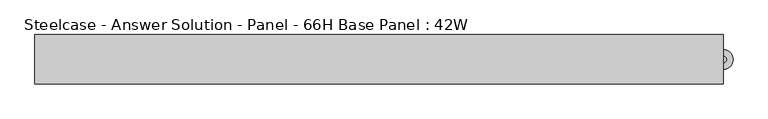
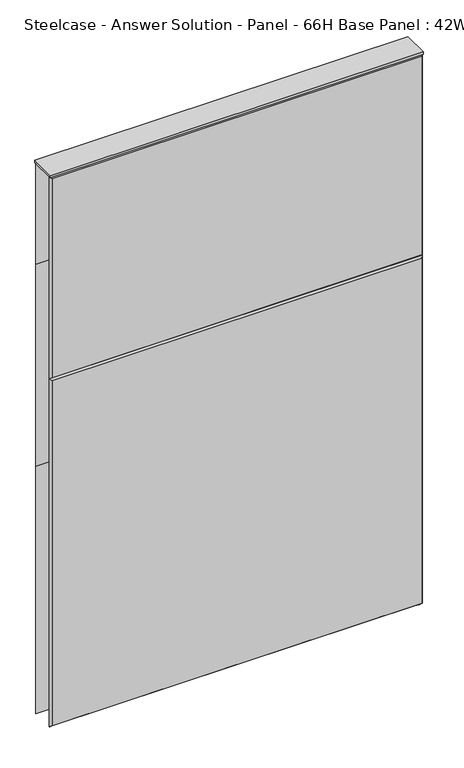
"""IFC4 building model written with IfcOpenShell, lengths in millimetres: furniture geometry, Steelcase - Answer Solution - Panel - 66H Base Panel : 42W."""

import ifcopenshell
import ifcopenshell.guid

model = None  # the IFC model being written
_history = None  # IfcOwnerHistory: only IFC2X3 demands one
_inside = {}  # id of a spatial element -> (the spatial element, [elements in it])
_under = {}  # id of a project, library or spatial element -> (it, [spatial elements below it])
_declared = {}  # id of a project -> (the project, [libraries it declares])
_typed = {}  # id of a type object -> (the type object, [elements of that type])
_made_of = {}  # id of a material, layer set ... -> (it, [elements and type objects made of it])


def new_model(schema):
    """Start an empty IFC model of exactly this schema.

    Asked for "IFC4X3", IfcOpenShell would pick the latest addendum, in which some entities
    have other attributes; the version numbers below select the first issue.
    IFC2X3 requires an IfcOwnerHistory on every rooted entity: one is made here for all.
    """
    global model, _history
    if schema == "IFC4X3":
        model = ifcopenshell.file(schema_version=(4, 3, 0, 0))
    else:
        model = ifcopenshell.file(schema=schema)
    _inside.clear()
    _under.clear()
    _declared.clear()
    _typed.clear()
    _made_of.clear()
    _history = None
    if model.schema == "IFC2X3":
        org = make("IfcOrganization", Name="unknown")
        user = make(
            "IfcPersonAndOrganization",
            ThePerson=make("IfcPerson", FamilyName="unknown"),
            TheOrganization=org,
        )
        app = make(
            "IfcApplication",
            ApplicationDeveloper=org,
            Version="unknown",
            ApplicationFullName="unknown",
            ApplicationIdentifier="unknown",
        )
        _history = make(
            "IfcOwnerHistory",
            OwningUser=user,
            OwningApplication=app,
            ChangeAction="ADDED",
            CreationDate=0,
        )
    return model


def make(cls, **values):
    """One entity of the class cls with the attributes given. An attribute that is None is left unset."""
    return model.create_entity(
        cls, **{name: value for name, value in values.items() if value is not None}
    )


def rooted(cls, **values):
    """An entity with a GlobalId (a new one), such as an element, a storey or a relation."""
    return make(cls, GlobalId=ifcopenshell.guid.new(), OwnerHistory=_history, **values)


def si_unit(unit_type, name, prefix=None):
    """IfcSIUnit, for example si_unit("LENGTHUNIT", "METRE", prefix="MILLI")."""
    return make("IfcSIUnit", UnitType=unit_type, Prefix=prefix, Name=name)


def assignment(units):
    """IfcUnitAssignment: the units of a project."""
    return None if units is None else make("IfcUnitAssignment", Units=units)


def point(xyz):
    """IfcCartesianPoint."""
    return None if xyz is None else make("IfcCartesianPoint", Coordinates=xyz)


def direction(xyz):
    """IfcDirection."""
    return None if xyz is None else make("IfcDirection", DirectionRatios=xyz)


def frame(location, z_axis=None, x_axis=None):
    """IfcAxis2Placement3D, a coordinate frame: its origin and axes. An axis left out is left unset."""
    return make(
        "IfcAxis2Placement3D",
        Location=point(location),
        Axis=direction(z_axis),
        RefDirection=direction(x_axis),
    )


def frame_2d(location, x_axis=None):
    """IfcAxis2Placement2D, a coordinate frame in the plane: its origin and x axis."""
    return make(
        "IfcAxis2Placement2D", Location=point(location), RefDirection=direction(x_axis)
    )


def origin():
    """The frame at (0, 0, 0) with its axes left unset."""
    return frame((0.0, 0.0, 0.0))


def place(relative_to, where):
    """IfcLocalPlacement: puts the frame where relative to a parent placement (None: the world)."""
    return make(
        "IfcLocalPlacement", PlacementRelTo=relative_to, RelativePlacement=where
    )


def context(
    kind, dimensions, precision=None, world=None, true_north=None, identifier=None
):
    """IfcGeometricRepresentationContext, for example the 3D "Model" context."""
    return make(
        "IfcGeometricRepresentationContext",
        ContextIdentifier=identifier,
        ContextType=kind,
        CoordinateSpaceDimension=dimensions,
        Precision=precision,
        WorldCoordinateSystem=world,
        TrueNorth=true_north,
    )


def project(units=None, contexts=None):
    """IfcProject with its units and contexts."""
    return rooted(
        "IfcProject",
        Name="project",
        RepresentationContexts=contexts,
        UnitsInContext=assignment(units),
    )


def spatial(cls, under=None, at=None, **own):
    """A site, building, storey or space (cls), placed at a placement, below another one or the project."""
    s = rooted(cls, ObjectPlacement=at, **own)
    if under is not None:
        _under.setdefault(under.id(), (under, []))[1].append(s)
    return s


def polyline(points):
    """IfcPolyline through the points."""
    return make("IfcPolyline", Points=[point(p) for p in points])


def circle_curve(where, radius):
    """IfcCircle in the frame where."""
    return make("IfcCircle", Position=where, Radius=radius)


def trimmed(basis, trim1, trim2, sense, master):
    """IfcTrimmedCurve: the piece of a basis curve between two trims."""
    return make(
        "IfcTrimmedCurve",
        BasisCurve=basis,
        Trim1=trim1,
        Trim2=trim2,
        SenseAgreement=sense,
        MasterRepresentation=master,
    )


def segment(curve, same_sense, transition):
    """IfcCompositeCurveSegment."""
    return make(
        "IfcCompositeCurveSegment",
        Transition=transition,
        SameSense=same_sense,
        ParentCurve=curve,
    )


def composite_curve(segments, self_intersect=None):
    """IfcCompositeCurve: segments joined end to end."""
    return make("IfcCompositeCurve", Segments=segments, SelfIntersect=self_intersect)


def outline(outer, holes=None, kind="AREA"):
    """IfcArbitraryClosedProfileDef: a profile drawn as a closed curve; with holes, ...WithVoids."""
    if holes is None:
        return make("IfcArbitraryClosedProfileDef", ProfileType=kind, OuterCurve=outer)
    return make(
        "IfcArbitraryProfileDefWithVoids",
        ProfileType=kind,
        OuterCurve=outer,
        InnerCurves=holes,
    )


def extrude(swept, where, along, depth):
    """IfcExtrudedAreaSolid: the profile swept, set in the frame where, extruded along a direction by depth."""
    return make(
        "IfcExtrudedAreaSolid",
        SweptArea=swept,
        Position=where,
        ExtrudedDirection=direction(along),
        Depth=depth,
    )


def faces_of(points, faces, orient=None, outer=None):
    """IfcFace entities. A face is a list of loops; a loop is a list of indices into points, from 0.

    orient and outer hold one flag for each loop. By default every Orientation is true, the
    first loop of a face is its IfcFaceOuterBound and the others are IfcFaceBound.
    """
    made = []
    for i, loops in enumerate(faces):
        bounds = []
        for j, loop in enumerate(loops):
            is_outer = j == 0 if outer is None else outer[i][j]
            bounds.append(
                make(
                    "IfcFaceOuterBound" if is_outer else "IfcFaceBound",
                    Bound=make("IfcPolyLoop", Polygon=[points[k] for k in loop]),
                    Orientation=True if orient is None else orient[i][j],
                )
            )
        made.append(make("IfcFace", Bounds=bounds))
    return made


def faceted_brep(points, faces, orient=None, outer=None, voids=None):
    """IfcFacetedBrep: a solid bounded by flat faces; with voids (closed shells), ...WithVoids."""
    shared = [point(p) for p in points]
    hull = make("IfcClosedShell", CfsFaces=faces_of(shared, faces, orient, outer))
    if voids is None:
        return make("IfcFacetedBrep", Outer=hull)
    return make(
        "IfcFacetedBrepWithVoids",
        Outer=hull,
        Voids=[
            make(cls, CfsFaces=faces_of(shared, fs, o, b)) for cls, fs, o, b in voids
        ],
    )


def shape(context_of_items, identifier, shape_type, items):
    """IfcShapeRepresentation: the items that make up one representation, for example the "Body"."""
    return make(
        "IfcShapeRepresentation",
        ContextOfItems=context_of_items,
        RepresentationIdentifier=identifier,
        RepresentationType=shape_type,
        Items=items,
    )


def source(mapping_origin, context_of_items, identifier, shape_type, items):
    """IfcRepresentationMap: a shape defined once, which mapped items show again and again."""
    return make(
        "IfcRepresentationMap",
        MappingOrigin=mapping_origin,
        MappedRepresentation=shape(context_of_items, identifier, shape_type, items),
    )


def transform(
    local_origin,
    x_axis=None,
    y_axis=None,
    z_axis=None,
    scale=None,
    scale2=None,
    scale3=None,
    uniform=True,
):
    """IfcCartesianTransformationOperator3D, or its non-uniform kind. x_axis, y_axis, z_axis: its Axis1, 2, 3."""
    if uniform:
        return make(
            "IfcCartesianTransformationOperator3D",
            Axis1=direction(x_axis),
            Axis2=direction(y_axis),
            LocalOrigin=point(local_origin),
            Scale=scale,
            Axis3=direction(z_axis),
        )
    return make(
        "IfcCartesianTransformationOperator3DnonUniform",
        Axis1=direction(x_axis),
        Axis2=direction(y_axis),
        LocalOrigin=point(local_origin),
        Scale=scale,
        Axis3=direction(z_axis),
        Scale2=scale2,
        Scale3=scale3,
    )


def mapped(mapping_source, mapping_target):
    """IfcMappedItem: shows the shape of a source again, moved by a transform."""
    return make(
        "IfcMappedItem", MappingSource=mapping_source, MappingTarget=mapping_target
    )


def made_of(thing, what):
    """Note that an element or type object is made of a material, layer set ...; save() writes the relation."""
    if what is not None:
        _made_of.setdefault(what.id(), (what, []))[1].append(thing)
    return thing


def element(
    cls,
    number,
    at=None,
    inside=None,
    cuts=None,
    type_object=None,
    material=None,
    context=None,
    identifier="Body",
    shape_type=None,
    held_by="IfcProductDefinitionShape",
    body=None,
    shapes=None,
    **own,
):
    """One element of the class cls, such as IfcWall. Its Tag is "e" and its number.

    at: its placement. inside: the storey or other place that contains it. cuts: it is an
    opening in that element (IfcRelVoidsElement). A single representation is given by context,
    identifier, shape_type and body (its items); several are given by shapes. held_by: the class
    of the entity that holds the representations. save() writes the other relations.
    """
    e = rooted(cls, Tag="e%d" % number, ObjectPlacement=at, **own)
    if body is not None:
        shapes = [shape(context, identifier, shape_type, body)]
    if shapes is not None:
        e.Representation = make(held_by, Representations=shapes)
    if inside is not None:
        _inside.setdefault(inside.id(), (inside, []))[1].append(e)
    if cuts is not None:
        rooted(
            "IfcRelVoidsElement", RelatingBuildingElement=cuts, RelatedOpeningElement=e
        )
    if type_object is not None:
        _typed.setdefault(type_object.id(), (type_object, []))[1].append(e)
    return made_of(e, material)


def aggregate(whole, parts):
    """IfcRelAggregates: a whole, such as a stair, and the parts it consists of."""
    return rooted("IfcRelAggregates", RelatingObject=whole, RelatedObjects=parts)


def save(model, path):
    """Write the relations noted so far, then the file.

    IfcRelAggregates (storeys below a building ...), IfcRelContainedInSpatialStructure (elements
    in a storey), IfcRelDefinesByType, IfcRelAssociatesMaterial and IfcRelDeclares: one each for
    every whole, place, type object, material and project.
    """
    for whole, parts in _under.values():
        aggregate(whole, parts)
    for where, things in _inside.values():
        rooted(
            "IfcRelContainedInSpatialStructure",
            RelatedElements=things,
            RelatingStructure=where,
        )
    for kind, things in _typed.values():
        rooted("IfcRelDefinesByType", RelatedObjects=things, RelatingType=kind)
    for what, things in _made_of.values():
        rooted("IfcRelAssociatesMaterial", RelatedObjects=things, RelatingMaterial=what)
    for by, libraries in _declared.values():
        rooted("IfcRelDeclares", RelatingContext=by, RelatedDefinitions=libraries)
    model.write(path)


def steelcase_answer_solution_panel_66h_base_panel_42w_c049ca33(model_context):
    return source(origin(), model_context, "Body", "SolidModel", [
        extrude(outline(composite_curve([segment(trimmed(circle_curve(frame_2d((533.4, -0.0320214)), 5.08), [point((538.48, -0.0320214))], [point((528.32, -0.0320214))], False, "CARTESIAN"), True, "CONTINUOUS"), segment(trimmed(circle_curve(frame_2d((533.4, -0.0320214)), 5.08), [point((528.32, -0.0320214))], [point((538.48, -0.0320214))], False, "CARTESIAN"), True, "CONTINUOUS")], self_intersect=False)), frame((0.0, 0.0, 5.0799671), z_axis=(0.0, 0.0, 1.0), x_axis=(1.0, 0.0, 0.0)), (0.0, 0.0, 1.0), 10.414),
        extrude(outline(composite_curve([segment(trimmed(circle_curve(frame_2d((533.4, -0.0320214)), 15.24), [point((548.64, -0.0320214))], [point((518.16, -0.0320214))], False, "CARTESIAN"), True, "CONTINUOUS"), segment(trimmed(circle_curve(frame_2d((533.4, -0.0320214)), 15.24), [point((518.16, -0.0320214))], [point((548.64, -0.0320214))], False, "CARTESIAN"), True, "CONTINUOUS")], self_intersect=False)), frame((0.0, 0.0, -3.29e-05), z_axis=(0.0, 0.0, 1.0), x_axis=(1.0, 0.0, 0.0)), (0.0, 0.0, 1.0), 5.08),
        faceted_brep([(-528.574, -38.1635011, 1671.574), (-528.574, -38.1635011, 1071.626), (528.574, -38.1635011, 1071.626), (528.574, -38.1635011, 1671.574), (-533.4, -33.3375011, 1676.4), (533.4, -33.3375011, 1676.4), (533.4, -33.3375011, 1066.8), (-533.4, -33.3375011, 1066.8)], [[[0, 1, 2, 3]], [[4, 5, 6, 7]], [[4, 0, 3, 5]], [[5, 3, 2, 6]], [[6, 2, 1, 7]], [[7, 1, 0, 4]]]),
        faceted_brep([(-528.574, -38.1635011, 1061.974), (-528.574, -38.1635011, 20.32), (528.574, -38.1635011, 20.32), (528.574, -38.1635011, 1061.974), (-533.4, -33.3375011, 1066.8), (533.4, -33.3375011, 1066.8), (533.4, -33.3375011, 15.494), (-533.4, -33.3375011, 15.494)], [[[0, 1, 2, 3]], [[4, 5, 6, 7]], [[4, 0, 3, 5]], [[5, 3, 2, 6]], [[6, 2, 1, 7]], [[7, 1, 0, 4]]]),
        faceted_brep([(528.574, 38.1635011, 1671.574), (528.574, 38.1635011, 1376.426), (-528.574, 38.1635011, 1376.426), (-528.574, 38.1635011, 1671.574), (533.4, 33.3375011, 1676.4), (-533.4, 33.3375011, 1676.4), (-533.4, 33.3375011, 1371.6), (533.4, 33.3375011, 1371.6)], [[[0, 1, 2, 3]], [[4, 5, 6, 7]], [[4, 0, 3, 5]], [[5, 3, 2, 6]], [[6, 2, 1, 7]], [[7, 1, 0, 4]]]),
        faceted_brep([(528.574, 38.1635011, 1366.774), (528.574, 38.1635011, 766.826), (-528.574, 38.1635011, 766.826), (-528.574, 38.1635011, 1366.774), (533.4, 33.3375011, 1371.6), (-533.4, 33.3375011, 1371.6), (-533.4, 33.3375011, 762.0), (533.4, 33.3375011, 762.0)], [[[0, 1, 2, 3]], [[4, 5, 6, 7]], [[4, 0, 3, 5]], [[5, 3, 2, 6]], [[6, 2, 1, 7]], [[7, 1, 0, 4]]]),
        faceted_brep([(528.574, 38.1635011, 757.174), (528.574, 38.1635011, 20.32), (-528.574, 38.1635011, 20.32), (-528.574, 38.1635011, 757.174), (533.4, 33.3375011, 762.0), (-533.4, 33.3375011, 762.0), (-533.4, 33.3375011, 15.494), (533.4, 33.3375011, 15.494)], [[[0, 1, 2, 3]], [[4, 5, 6, 7]], [[4, 0, 3, 5]], [[5, 3, 2, 6]], [[6, 2, 1, 7]], [[7, 1, 0, 4]]]),
        extrude(outline(polyline([(533.4, -38.1000194), (-533.4, -38.1000194), (-533.4, 38.1000194), (533.4, 38.1000194), (533.4, -38.1000194)])), frame((0.0, 0.0, 1676.4), z_axis=(0.0, 0.0, 1.0), x_axis=(1.0, 0.0, 0.0)), (0.0, 0.0, 1.0), 6.35),
    ])


if __name__ == "__main__":
    model = new_model("IFC4")
    model_context = context("Model", 3, world=origin())
    ifc_project = project(units=[si_unit("LENGTHUNIT", "METRE", prefix="MILLI")], contexts=[model_context])
    site = spatial("IfcSite", under=ifc_project)
    building = spatial("IfcBuilding", under=site)
    placement = place(None, origin())
    steelcase_answer_solution_panel_66h_base_panel_42w_shape = steelcase_answer_solution_panel_66h_base_panel_42w_c049ca33(model_context)
    element("IfcFurniture", 1, ObjectType="Steelcase - Answer Solution - Panel - 66H Base Panel : 42W", at=placement, inside=building, context=model_context, shape_type="MappedRepresentation", body=[
        mapped(steelcase_answer_solution_panel_66h_base_panel_42w_shape, transform((0.0, 0.0, 0.0), x_axis=(1.0, 0.0, 0.0), y_axis=(0.0, 1.0, 0.0), z_axis=(0.0, 0.0, 1.0))),
    ])
    save(model, "model.ifc")
